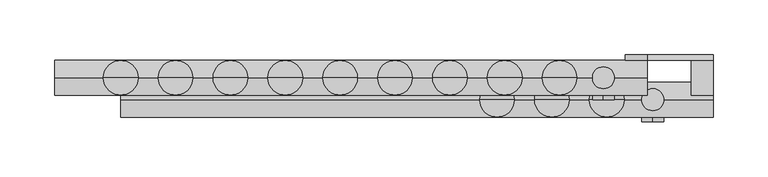
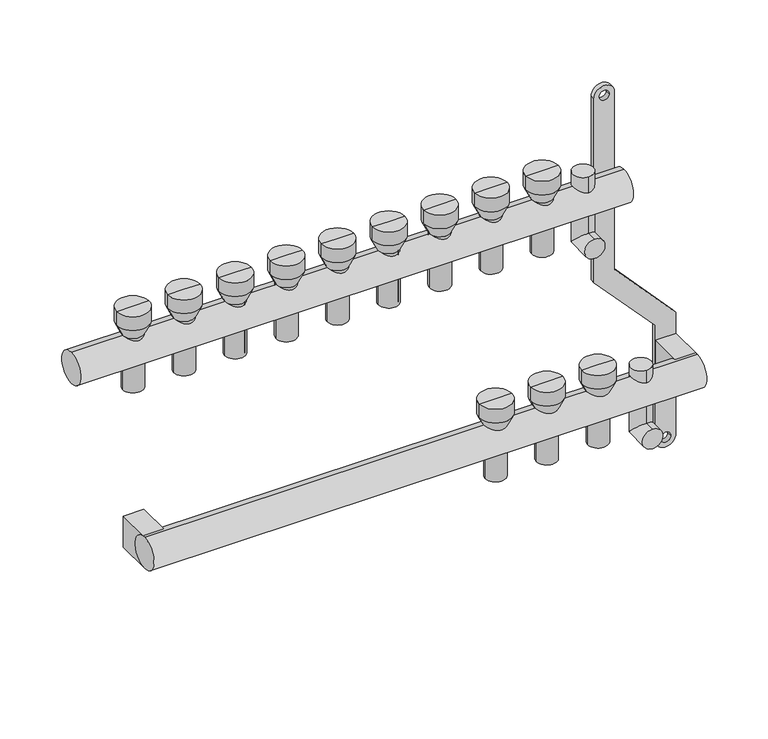
"""IFC4 building model written with IfcOpenShell, lengths in millimetres: proxy geometry."""

from ifc_helpers import new_model, si_unit, point, frame, frame_2d, origin, origin_2d, place, context, project, spatial, polyline, circle_curve, ellipse_curve, trimmed, segment, composite_curve, outline, extrude, source, transform, mapped, element, save
from ifc_brep_helpers import plane_surface, cylinder_surface, revolved_surface, advanced_brep


def mechanical_equipment_cf81b8fc(model_context):
    return source(origin(), model_context, "Body", "SolidModel", [
        extrude(outline(composite_curve([segment(trimmed(circle_curve(frame_2d((86.2845679, 520.0)), 10.0), [point((86.2845679, 530.0))], [point((86.2845679, 510.0))], False, "CARTESIAN"), True, "CONTINUOUS"), segment(polyline([(86.2845679, 510.0), (-103.7138261, 510.0), (-169.0329221, 570.0), (-287.9537524, 570.0)]), True, "CONTINUOUS"), segment(trimmed(circle_curve(frame_2d((-287.9537524, 580.0)), 10.0), [point((-287.9537524, 570.0))], [point((-287.9537524, 590.0))], False, "CARTESIAN"), True, "CONTINUOUS"), segment(polyline([(-287.9537524, 590.0), (-162.5345282, 590.0), (-97.2154321, 530.0), (86.2845679, 530.0)]), True, "CONTINUOUS")], self_intersect=False), holes=[composite_curve([segment(trimmed(circle_curve(frame_2d((86.2845679, 520.0)), 5.0), [point((86.2845679, 515.0))], [point((86.2845679, 525.0))], True, "CARTESIAN"), True, "CONTINUOUS"), segment(trimmed(circle_curve(frame_2d((86.2845679, 520.0)), 5.0), [point((86.2845679, 525.0))], [point((86.2845679, 515.0))], True, "CARTESIAN"), True, "CONTINUOUS")], self_intersect=False), composite_curve([segment(trimmed(circle_curve(frame_2d((-287.9537524, 580.0)), 5.0), [point((-287.9537524, 575.0))], [point((-287.9537524, 585.0))], True, "CARTESIAN"), True, "CONTINUOUS"), segment(trimmed(circle_curve(frame_2d((-287.9537524, 580.0)), 5.0), [point((-287.9537524, 585.0))], [point((-287.9537524, 575.0))], True, "CARTESIAN"), True, "CONTINUOUS")], self_intersect=False)]), frame((0.0, 16.0, 0.0), z_axis=(0.0, 1.0, 0.0), x_axis=(0.0, 0.0, 1.0)), (0.0, 0.0, 1.0), 4.847249),
        advanced_brep(
        [(535.0, -40.0, -250.0), (535.0, -40.0, -230.0), (535.0, -10.0, -250.0), (535.0, -30.0, -230.0), (535.0, -10.0, -175.079492), (535.0, -30.0, -175.079492)],
        [
            (0, 1, circle_curve(frame((535.0, -40.0, -240.0), z_axis=(0.0, -1.0, 0.0), x_axis=(0.0, 0.0, 1.0)), 10.0)),
            (1, 0, circle_curve(frame((535.0, -40.0, -240.0), z_axis=(0.0, -1.0, 0.0), x_axis=(0.0, 0.0, 1.0)), 10.0)),
            (0, 2),
            (2, 3, ellipse_curve(frame((535.0, -20.0, -240.0), z_axis=(0.0, -0.7071067811865475, -0.7071067811865475), x_axis=(0.0, -0.7071067811865476, 0.7071067811865474)), 14.1421356, 10.0)),
            (3, 1),
            (3, 2, ellipse_curve(frame((535.0, -20.0, -240.0), z_axis=(0.0, -0.7071067811865475, -0.7071067811865475), x_axis=(0.0, -0.7071067811865476, 0.7071067811865474)), 14.1421356, 10.0)),
            (4, 5, circle_curve(frame((535.0, -20.0, -175.079492), z_axis=(0.0, 0.0, 1.0), x_axis=(0.0, -1.0, 0.0)), 10.0)),
            (5, 4, circle_curve(frame((535.0, -20.0, -175.079492), z_axis=(0.0, 0.0, 1.0), x_axis=(0.0, -1.0, 0.0)), 10.0)),
            (2, 4),
            (5, 3),
        ],
        [
            plane_surface(frame((535.0, -40.0, -240.0), z_axis=(0.0, -1.0, 0.0), x_axis=(1.0, 0.0, 0.0))),
            cylinder_surface(frame((535.0, -40.0, -240.0), z_axis=(0.0, -1.0, 0.0), x_axis=(0.0, 0.0, 1.0)), 10.0),
            plane_surface(frame((535.0, -20.0, -175.079492), z_axis=(0.0, 0.0, 1.0), x_axis=(1.0, 0.0, 0.0))),
            cylinder_surface(frame((535.0, -20.0, -240.0), z_axis=(0.0, 0.0, -1.0), x_axis=(0.0, -1.0, 0.0)), 10.0),
        ],
        [
            (0, [[1, 2]]),
            (1, [[-1, 3, 4, 5]]),
            (1, [[-2, -5, 6, -3]]),
            (2, [[7, 8]]),
            (3, [[-4, 9, -8, 10]]),
            (3, [[-6, -10, -7, -9]]),
        ],
    ),
        advanced_brep(
        [(490.0, -20.0, -50.0), (490.0, -20.0, -30.0), (490.0, 10.0, -50.0), (490.0, -10.0, -30.0), (490.0, 10.0, 28.420508), (490.0, -10.0, 28.420508)],
        [
            (0, 1, circle_curve(frame((490.0, -20.0, -40.0), z_axis=(0.0, -1.0, 0.0), x_axis=(0.0, 0.0, 1.0)), 10.0)),
            (1, 0, circle_curve(frame((490.0, -20.0, -40.0), z_axis=(0.0, -1.0, 0.0), x_axis=(0.0, 0.0, 1.0)), 10.0)),
            (0, 2),
            (2, 3, ellipse_curve(frame((490.0, 0.0, -40.0), z_axis=(0.0, -0.7071067811865486, -0.7071067811865464), x_axis=(0.0, -0.7071067811865466, 0.7071067811865485)), 14.1421356, 10.0)),
            (3, 1),
            (3, 2, ellipse_curve(frame((490.0, 0.0, -40.0), z_axis=(0.0, -0.7071067811865486, -0.7071067811865464), x_axis=(0.0, -0.7071067811865466, 0.7071067811865485)), 14.1421356, 10.0)),
            (4, 5, circle_curve(frame((490.0, 0.0, 28.420508), z_axis=(0.0, 0.0, 1.0), x_axis=(0.0, -1.0, 0.0)), 10.0)),
            (5, 4, circle_curve(frame((490.0, 0.0, 28.420508), z_axis=(0.0, 0.0, 1.0), x_axis=(0.0, -1.0, 0.0)), 10.0)),
            (2, 4),
            (5, 3),
        ],
        [
            plane_surface(frame((490.0, -20.0, -40.0), z_axis=(0.0, -1.0, 0.0), x_axis=(1.0, 0.0, 0.0))),
            cylinder_surface(frame((490.0, -20.0, -40.0), z_axis=(0.0, -1.0, 0.0), x_axis=(0.0, 0.0, 1.0)), 10.0),
            plane_surface(frame((490.0, 0.0, 28.420508), z_axis=(0.0, 0.0, 1.0), x_axis=(1.0, 0.0, 0.0))),
            cylinder_surface(frame((490.0, 0.0, -40.0), z_axis=(0.0, 0.0, -1.0), x_axis=(0.0, -1.0, 0.0)), 10.0),
        ],
        [
            (0, [[1, 2]]),
            (1, [[-1, 3, 4, 5]]),
            (1, [[-2, -5, 6, -3]]),
            (2, [[7, 8]]),
            (3, [[-4, 9, -8, 10]]),
            (3, [[-6, -10, -7, -9]]),
        ],
    ),
        extrude(outline(composite_curve([segment(trimmed(circle_curve(frame_2d((-20.0, -200.0)), 16.0), [point((-20.0, -216.0))], [point((-20.0, -184.0))], False, "CARTESIAN"), True, "CONTINUOUS"), segment(trimmed(circle_curve(frame_2d((-20.0, -200.0)), 16.0), [point((-20.0, -184.0))], [point((-20.0, -216.0))], False, "CARTESIAN"), True, "CONTINUOUS")], self_intersect=False)), frame((50.0, 0.0, 0.0), z_axis=(1.0, 0.0, 0.0), x_axis=(0.0, 1.0, 0.0)), (0.0, 0.0, 1.0), 540.0),
        extrude(outline(composite_curve([segment(trimmed(circle_curve(origin_2d(), 16.0), [point((0.0, -16.0))], [point((0.0, 16.0))], False, "CARTESIAN"), True, "CONTINUOUS"), segment(trimmed(circle_curve(origin_2d(), 16.0), [point((0.0, 16.0))], [point((0.0, -16.0))], False, "CARTESIAN"), True, "CONTINUOUS")], self_intersect=False)), frame((-10.0, 0.0, 0.0), z_axis=(1.0, 0.0, 0.0), x_axis=(0.0, 1.0, 0.0)), (0.0, 0.0, 1.0), 540.0),
        extrude(outline(polyline([(590.0, 16.0), (590.0, -20.0), (570.0, -20.0), (570.0, 16.0), (590.0, 16.0)])), frame((0.0, 0.0, -216.0), z_axis=(0.0, 0.0, 1.0), x_axis=(1.0, 0.0, 0.0)), (0.0, 0.0, 1.0), 32.0),
        extrude(outline(polyline([(70.0, 16.0), (70.0, -20.0), (50.0, -20.0), (50.0, 16.0), (70.0, 16.0)])), frame((0.0, 0.0, -216.0), z_axis=(0.0, 0.0, 1.0), x_axis=(1.0, 0.0, 0.0)), (0.0, 0.0, 1.0), 32.0),
        advanced_brep(
        [(458.0, 0.0, -40.0), (442.0, 0.0, -40.0), (442.0, 0.0, 16.0), (458.0, 0.0, 16.0), (460.0, 0.0, -40.0), (440.0, 0.0, -40.0), (460.0, 0.0, 16.0), (440.0, 0.0, 16.0), (465.791778, 0.0, 28.420508), (434.208222, 0.0, 28.420508), (465.791778, 0.0, 42.4712727), (434.208222, 0.0, 42.4712727), (450.0, 0.0, 42.4712727), (450.0, 0.0, 16.0)],
        [
            (0, 1, circle_curve(frame((450.0, 0.0, -40.0), z_axis=(0.0, 0.0, -1.0), x_axis=(-1.0, 0.0, 0.0)), 8.0)),
            (1, 2),
            (2, 3, circle_curve(frame((450.0, 0.0, 16.0), z_axis=(0.0, 0.0, 1.0), x_axis=(-1.0, 0.0, 0.0)), 8.0)),
            (3, 0),
            (1, 0, circle_curve(frame((450.0, 0.0, -40.0), z_axis=(0.0, 0.0, -1.0), x_axis=(-1.0, 0.0, 0.0)), 8.0)),
            (3, 2, circle_curve(frame((450.0, 0.0, 16.0), z_axis=(0.0, 0.0, 1.0), x_axis=(-1.0, 0.0, 0.0)), 8.0)),
            (4, 5, circle_curve(frame((450.0, 0.0, -40.0), z_axis=(0.0, 0.0, -1.0), x_axis=(-1.0, 0.0, 0.0)), 10.0)),
            (5, 1),
            (0, 4),
            (5, 4, circle_curve(frame((450.0, 0.0, -40.0), z_axis=(0.0, 0.0, -1.0), x_axis=(-1.0, 0.0, 0.0)), 10.0)),
            (6, 7, circle_curve(frame((450.0, 0.0, 16.0), z_axis=(0.0, 0.0, -1.0), x_axis=(-1.0, 0.0, 0.0)), 10.0)),
            (7, 5),
            (4, 6),
            (7, 6, circle_curve(frame((450.0, 0.0, 16.0), z_axis=(0.0, 0.0, -1.0), x_axis=(-1.0, 0.0, 0.0)), 10.0)),
            (8, 9, circle_curve(frame((450.0, 0.0, 28.420508), z_axis=(0.0, 0.0, -1.0), x_axis=(-1.0, 0.0, 0.0)), 15.791778)),
            (9, 7),
            (6, 8),
            (9, 8, circle_curve(frame((450.0, 0.0, 28.420508), z_axis=(0.0, 0.0, -1.0), x_axis=(-1.0, 0.0, 0.0)), 15.791778)),
            (10, 11, circle_curve(frame((450.0, 0.0, 42.4712727), z_axis=(0.0, 0.0, -1.0), x_axis=(-1.0, 0.0, 0.0)), 15.791778)),
            (11, 9),
            (8, 10),
            (11, 10, circle_curve(frame((450.0, 0.0, 42.4712727), z_axis=(0.0, 0.0, -1.0), x_axis=(-1.0, 0.0, 0.0)), 15.791778)),
            (12, 11),
            (10, 12),
            (2, 13),
            (13, 3),
        ],
        [
            revolved_surface(polyline([(442.0, 0.0, 16.0), (442.0, 0.0, -40.0)]), (450.0, 0.0, 0.0), (0.0, 0.0, 1.0)),
            plane_surface(frame((450.0, 0.0, -40.0), z_axis=(0.0, 0.0, -1.0), x_axis=(-1.0, 0.0, 0.0))),
            cylinder_surface(frame((450.0, 0.0, 0.0), z_axis=(0.0, 0.0, 1.0), x_axis=(-1.0, 0.0, 0.0)), 10.0),
            revolved_surface(polyline([(440.0, 0.0, 16.0), (434.208222, 0.0, 28.420508)]), (450.0, 0.0, 0.0), (0.0, 0.0, 1.0)),
            cylinder_surface(frame((450.0, 0.0, 0.0), z_axis=(0.0, 0.0, 1.0), x_axis=(-1.0, 0.0, 0.0)), 15.791778),
            plane_surface(frame((450.0, 0.0, 42.4712727), z_axis=(0.0, 0.0, 1.0), x_axis=(-1.0, 0.0, 0.0))),
            plane_surface(frame((450.0, 0.0, 16.0), z_axis=(0.0, 0.0, -1.0), x_axis=(-1.0, 0.0, 0.0))),
        ],
        [
            (0, [[1, 2, 3, 4]]),
            (0, [[5, -4, 6, -2]]),
            (1, [[7, 8, -1, 9]]),
            (1, [[10, -9, -5, -8]]),
            (2, [[11, 12, -7, 13]]),
            (2, [[14, -13, -10, -12]]),
            (3, [[15, 16, -11, 17]]),
            (3, [[18, -17, -14, -16]]),
            (4, [[19, 20, -15, 21]]),
            (4, [[22, -21, -18, -20]]),
            (5, [[23, -19, 24]]),
            (5, [[-24, -22, -23]]),
            (6, [[-3, 25, 26]]),
            (6, [[-6, -26, -25]]),
        ],
    ),
        advanced_brep(
        [(408.0, 0.0, -40.0), (392.0, 0.0, -40.0), (392.0, 0.0, 16.0), (408.0, 0.0, 16.0), (410.0, 0.0, -40.0), (390.0, 0.0, -40.0), (410.0, 0.0, 16.0), (390.0, 0.0, 16.0), (415.791778, 0.0, 28.420508), (384.208222, 0.0, 28.420508), (415.791778, 0.0, 42.4712727), (384.208222, 0.0, 42.4712727), (400.0, 0.0, 42.4712727), (400.0, 0.0, 16.0)],
        [
            (0, 1, circle_curve(frame((400.0, 0.0, -40.0), z_axis=(0.0, 0.0, -1.0), x_axis=(-1.0, 0.0, 0.0)), 8.0)),
            (1, 2),
            (2, 3, circle_curve(frame((400.0, 0.0, 16.0), z_axis=(0.0, 0.0, 1.0), x_axis=(-1.0, 0.0, 0.0)), 8.0)),
            (3, 0),
            (1, 0, circle_curve(frame((400.0, 0.0, -40.0), z_axis=(0.0, 0.0, -1.0), x_axis=(-1.0, 0.0, 0.0)), 8.0)),
            (3, 2, circle_curve(frame((400.0, 0.0, 16.0), z_axis=(0.0, 0.0, 1.0), x_axis=(-1.0, 0.0, 0.0)), 8.0)),
            (4, 5, circle_curve(frame((400.0, 0.0, -40.0), z_axis=(0.0, 0.0, -1.0), x_axis=(-1.0, 0.0, 0.0)), 10.0)),
            (5, 1),
            (0, 4),
            (5, 4, circle_curve(frame((400.0, 0.0, -40.0), z_axis=(0.0, 0.0, -1.0), x_axis=(-1.0, 0.0, 0.0)), 10.0)),
            (6, 7, circle_curve(frame((400.0, 0.0, 16.0), z_axis=(0.0, 0.0, -1.0), x_axis=(-1.0, 0.0, 0.0)), 10.0)),
            (7, 5),
            (4, 6),
            (7, 6, circle_curve(frame((400.0, 0.0, 16.0), z_axis=(0.0, 0.0, -1.0), x_axis=(-1.0, 0.0, 0.0)), 10.0)),
            (8, 9, circle_curve(frame((400.0, 0.0, 28.420508), z_axis=(0.0, 0.0, -1.0), x_axis=(-1.0, 0.0, 0.0)), 15.791778)),
            (9, 7),
            (6, 8),
            (9, 8, circle_curve(frame((400.0, 0.0, 28.420508), z_axis=(0.0, 0.0, -1.0), x_axis=(-1.0, 0.0, 0.0)), 15.791778)),
            (10, 11, circle_curve(frame((400.0, 0.0, 42.4712727), z_axis=(0.0, 0.0, -1.0), x_axis=(-1.0, 0.0, 0.0)), 15.791778)),
            (11, 9),
            (8, 10),
            (11, 10, circle_curve(frame((400.0, 0.0, 42.4712727), z_axis=(0.0, 0.0, -1.0), x_axis=(-1.0, 0.0, 0.0)), 15.791778)),
            (12, 11),
            (10, 12),
            (2, 13),
            (13, 3),
        ],
        [
            revolved_surface(polyline([(392.0, 0.0, 16.0), (392.0, 0.0, -40.0)]), (400.0, 0.0, 0.0), (0.0, 0.0, 1.0)),
            plane_surface(frame((400.0, 0.0, -40.0), z_axis=(0.0, 0.0, -1.0), x_axis=(-1.0, 0.0, 0.0))),
            cylinder_surface(frame((400.0, 0.0, 0.0), z_axis=(0.0, 0.0, 1.0), x_axis=(-1.0, 0.0, 0.0)), 10.0),
            revolved_surface(polyline([(390.0, 0.0, 16.0), (384.208222, 0.0, 28.420508)]), (400.0, 0.0, 0.0), (0.0, 0.0, 1.0)),
            cylinder_surface(frame((400.0, 0.0, 0.0), z_axis=(0.0, 0.0, 1.0), x_axis=(-1.0, 0.0, 0.0)), 15.791778),
            plane_surface(frame((400.0, 0.0, 42.4712727), z_axis=(0.0, 0.0, 1.0), x_axis=(-1.0, 0.0, 0.0))),
            plane_surface(frame((400.0, 0.0, 16.0), z_axis=(0.0, 0.0, -1.0), x_axis=(-1.0, 0.0, 0.0))),
        ],
        [
            (0, [[1, 2, 3, 4]]),
            (0, [[5, -4, 6, -2]]),
            (1, [[7, 8, -1, 9]]),
            (1, [[10, -9, -5, -8]]),
            (2, [[11, 12, -7, 13]]),
            (2, [[14, -13, -10, -12]]),
            (3, [[15, 16, -11, 17]]),
            (3, [[18, -17, -14, -16]]),
            (4, [[19, 20, -15, 21]]),
            (4, [[22, -21, -18, -20]]),
            (5, [[23, -19, 24]]),
            (5, [[-24, -22, -23]]),
            (6, [[-3, 25, 26]]),
            (6, [[-6, -26, -25]]),
        ],
    ),
        advanced_brep(
        [(358.0, 0.0, -40.0), (342.0, 0.0, -40.0), (342.0, 0.0, 16.0), (358.0, 0.0, 16.0), (360.0, 0.0, -40.0), (340.0, 0.0, -40.0), (360.0, 0.0, 16.0), (340.0, 0.0, 16.0), (365.791778, 0.0, 28.420508), (334.208222, 0.0, 28.420508), (365.791778, 0.0, 42.4712727), (334.208222, 0.0, 42.4712727), (350.0, 0.0, 42.4712727), (350.0, 0.0, 16.0)],
        [
            (0, 1, circle_curve(frame((350.0, 0.0, -40.0), z_axis=(0.0, 0.0, -1.0), x_axis=(-1.0, 0.0, 0.0)), 8.0)),
            (1, 2),
            (2, 3, circle_curve(frame((350.0, 0.0, 16.0), z_axis=(0.0, 0.0, 1.0), x_axis=(-1.0, 0.0, 0.0)), 8.0)),
            (3, 0),
            (1, 0, circle_curve(frame((350.0, 0.0, -40.0), z_axis=(0.0, 0.0, -1.0), x_axis=(-1.0, 0.0, 0.0)), 8.0)),
            (3, 2, circle_curve(frame((350.0, 0.0, 16.0), z_axis=(0.0, 0.0, 1.0), x_axis=(-1.0, 0.0, 0.0)), 8.0)),
            (4, 5, circle_curve(frame((350.0, 0.0, -40.0), z_axis=(0.0, 0.0, -1.0), x_axis=(-1.0, 0.0, 0.0)), 10.0)),
            (5, 1),
            (0, 4),
            (5, 4, circle_curve(frame((350.0, 0.0, -40.0), z_axis=(0.0, 0.0, -1.0), x_axis=(-1.0, 0.0, 0.0)), 10.0)),
            (6, 7, circle_curve(frame((350.0, 0.0, 16.0), z_axis=(0.0, 0.0, -1.0), x_axis=(-1.0, 0.0, 0.0)), 10.0)),
            (7, 5),
            (4, 6),
            (7, 6, circle_curve(frame((350.0, 0.0, 16.0), z_axis=(0.0, 0.0, -1.0), x_axis=(-1.0, 0.0, 0.0)), 10.0)),
            (8, 9, circle_curve(frame((350.0, 0.0, 28.420508), z_axis=(0.0, 0.0, -1.0), x_axis=(-1.0, 0.0, 0.0)), 15.791778)),
            (9, 7),
            (6, 8),
            (9, 8, circle_curve(frame((350.0, 0.0, 28.420508), z_axis=(0.0, 0.0, -1.0), x_axis=(-1.0, 0.0, 0.0)), 15.791778)),
            (10, 11, circle_curve(frame((350.0, 0.0, 42.4712727), z_axis=(0.0, 0.0, -1.0), x_axis=(-1.0, 0.0, 0.0)), 15.791778)),
            (11, 9),
            (8, 10),
            (11, 10, circle_curve(frame((350.0, 0.0, 42.4712727), z_axis=(0.0, 0.0, -1.0), x_axis=(-1.0, 0.0, 0.0)), 15.791778)),
            (12, 11),
            (10, 12),
            (2, 13),
            (13, 3),
        ],
        [
            revolved_surface(polyline([(342.0, 0.0, 16.0), (342.0, 0.0, -40.0)]), (350.0, 0.0, 0.0), (0.0, 0.0, 1.0)),
            plane_surface(frame((350.0, 0.0, -40.0), z_axis=(0.0, 0.0, -1.0), x_axis=(-1.0, 0.0, 0.0))),
            cylinder_surface(frame((350.0, 0.0, 0.0), z_axis=(0.0, 0.0, 1.0), x_axis=(-1.0, 0.0, 0.0)), 10.0),
            revolved_surface(polyline([(340.0, 0.0, 16.0), (334.208222, 0.0, 28.420508)]), (350.0, 0.0, 0.0), (0.0, 0.0, 1.0)),
            cylinder_surface(frame((350.0, 0.0, 0.0), z_axis=(0.0, 0.0, 1.0), x_axis=(-1.0, 0.0, 0.0)), 15.791778),
            plane_surface(frame((350.0, 0.0, 42.4712727), z_axis=(0.0, 0.0, 1.0), x_axis=(-1.0, 0.0, 0.0))),
            plane_surface(frame((350.0, 0.0, 16.0), z_axis=(0.0, 0.0, -1.0), x_axis=(-1.0, 0.0, 0.0))),
        ],
        [
            (0, [[1, 2, 3, 4]]),
            (0, [[5, -4, 6, -2]]),
            (1, [[7, 8, -1, 9]]),
            (1, [[10, -9, -5, -8]]),
            (2, [[11, 12, -7, 13]]),
            (2, [[14, -13, -10, -12]]),
            (3, [[15, 16, -11, 17]]),
            (3, [[18, -17, -14, -16]]),
            (4, [[19, 20, -15, 21]]),
            (4, [[22, -21, -18, -20]]),
            (5, [[23, -19, 24]]),
            (5, [[-24, -22, -23]]),
            (6, [[-3, 25, 26]]),
            (6, [[-6, -26, -25]]),
        ],
    ),
        advanced_brep(
        [(308.0, 0.0, -40.0), (292.0, 0.0, -40.0), (292.0, 0.0, 16.0), (308.0, 0.0, 16.0), (310.0, 0.0, -40.0), (290.0, 0.0, -40.0), (310.0, 0.0, 16.0), (290.0, 0.0, 16.0), (315.791778, 0.0, 28.420508), (284.208222, 0.0, 28.420508), (315.791778, 0.0, 42.4712727), (284.208222, 0.0, 42.4712727), (300.0, 0.0, 42.4712727), (300.0, 0.0, 16.0)],
        [
            (0, 1, circle_curve(frame((300.0, 0.0, -40.0), z_axis=(0.0, 0.0, -1.0), x_axis=(-1.0, 0.0, 0.0)), 8.0)),
            (1, 2),
            (2, 3, circle_curve(frame((300.0, 0.0, 16.0), z_axis=(0.0, 0.0, 1.0), x_axis=(-1.0, 0.0, 0.0)), 8.0)),
            (3, 0),
            (1, 0, circle_curve(frame((300.0, 0.0, -40.0), z_axis=(0.0, 0.0, -1.0), x_axis=(-1.0, 0.0, 0.0)), 8.0)),
            (3, 2, circle_curve(frame((300.0, 0.0, 16.0), z_axis=(0.0, 0.0, 1.0), x_axis=(-1.0, 0.0, 0.0)), 8.0)),
            (4, 5, circle_curve(frame((300.0, 0.0, -40.0), z_axis=(0.0, 0.0, -1.0), x_axis=(-1.0, 0.0, 0.0)), 10.0)),
            (5, 1),
            (0, 4),
            (5, 4, circle_curve(frame((300.0, 0.0, -40.0), z_axis=(0.0, 0.0, -1.0), x_axis=(-1.0, 0.0, 0.0)), 10.0)),
            (6, 7, circle_curve(frame((300.0, 0.0, 16.0), z_axis=(0.0, 0.0, -1.0), x_axis=(-1.0, 0.0, 0.0)), 10.0)),
            (7, 5),
            (4, 6),
            (7, 6, circle_curve(frame((300.0, 0.0, 16.0), z_axis=(0.0, 0.0, -1.0), x_axis=(-1.0, 0.0, 0.0)), 10.0)),
            (8, 9, circle_curve(frame((300.0, 0.0, 28.420508), z_axis=(0.0, 0.0, -1.0), x_axis=(-1.0, 0.0, 0.0)), 15.791778)),
            (9, 7),
            (6, 8),
            (9, 8, circle_curve(frame((300.0, 0.0, 28.420508), z_axis=(0.0, 0.0, -1.0), x_axis=(-1.0, 0.0, 0.0)), 15.791778)),
            (10, 11, circle_curve(frame((300.0, 0.0, 42.4712727), z_axis=(0.0, 0.0, -1.0), x_axis=(-1.0, 0.0, 0.0)), 15.791778)),
            (11, 9),
            (8, 10),
            (11, 10, circle_curve(frame((300.0, 0.0, 42.4712727), z_axis=(0.0, 0.0, -1.0), x_axis=(-1.0, 0.0, 0.0)), 15.791778)),
            (12, 11),
            (10, 12),
            (2, 13),
            (13, 3),
        ],
        [
            revolved_surface(polyline([(292.0, 0.0, 16.0), (292.0, 0.0, -40.0)]), (300.0, 0.0, 0.0), (0.0, 0.0, 1.0)),
            plane_surface(frame((300.0, 0.0, -40.0), z_axis=(0.0, 0.0, -1.0), x_axis=(-1.0, 0.0, 0.0))),
            cylinder_surface(frame((300.0, 0.0, 0.0), z_axis=(0.0, 0.0, 1.0), x_axis=(-1.0, 0.0, 0.0)), 10.0),
            revolved_surface(polyline([(290.0, 0.0, 16.0), (284.208222, 0.0, 28.420508)]), (300.0, 0.0, 0.0), (0.0, 0.0, 1.0)),
            cylinder_surface(frame((300.0, 0.0, 0.0), z_axis=(0.0, 0.0, 1.0), x_axis=(-1.0, 0.0, 0.0)), 15.791778),
            plane_surface(frame((300.0, 0.0, 42.4712727), z_axis=(0.0, 0.0, 1.0), x_axis=(-1.0, 0.0, 0.0))),
            plane_surface(frame((300.0, 0.0, 16.0), z_axis=(0.0, 0.0, -1.0), x_axis=(-1.0, 0.0, 0.0))),
        ],
        [
            (0, [[1, 2, 3, 4]]),
            (0, [[5, -4, 6, -2]]),
            (1, [[7, 8, -1, 9]]),
            (1, [[10, -9, -5, -8]]),
            (2, [[11, 12, -7, 13]]),
            (2, [[14, -13, -10, -12]]),
            (3, [[15, 16, -11, 17]]),
            (3, [[18, -17, -14, -16]]),
            (4, [[19, 20, -15, 21]]),
            (4, [[22, -21, -18, -20]]),
            (5, [[23, -19, 24]]),
            (5, [[-24, -22, -23]]),
            (6, [[-3, 25, 26]]),
            (6, [[-6, -26, -25]]),
        ],
    ),
        advanced_brep(
        [(258.0, 0.0, -40.0), (242.0, 0.0, -40.0), (242.0, 0.0, 16.0), (258.0, 0.0, 16.0), (260.0, 0.0, -40.0), (240.0, 0.0, -40.0), (260.0, 0.0, 16.0), (240.0, 0.0, 16.0), (265.791778, 0.0, 28.420508), (234.208222, 0.0, 28.420508), (265.791778, 0.0, 42.4712727), (234.208222, 0.0, 42.4712727), (250.0, 0.0, 42.4712727), (250.0, 0.0, 16.0)],
        [
            (0, 1, circle_curve(frame((250.0, 0.0, -40.0), z_axis=(0.0, 0.0, -1.0), x_axis=(-1.0, 0.0, 0.0)), 8.0)),
            (1, 2),
            (2, 3, circle_curve(frame((250.0, 0.0, 16.0), z_axis=(0.0, 0.0, 1.0), x_axis=(-1.0, 0.0, 0.0)), 8.0)),
            (3, 0),
            (1, 0, circle_curve(frame((250.0, 0.0, -40.0), z_axis=(0.0, 0.0, -1.0), x_axis=(-1.0, 0.0, 0.0)), 8.0)),
            (3, 2, circle_curve(frame((250.0, 0.0, 16.0), z_axis=(0.0, 0.0, 1.0), x_axis=(-1.0, 0.0, 0.0)), 8.0)),
            (4, 5, circle_curve(frame((250.0, 0.0, -40.0), z_axis=(0.0, 0.0, -1.0), x_axis=(-1.0, 0.0, 0.0)), 10.0)),
            (5, 1),
            (0, 4),
            (5, 4, circle_curve(frame((250.0, 0.0, -40.0), z_axis=(0.0, 0.0, -1.0), x_axis=(-1.0, 0.0, 0.0)), 10.0)),
            (6, 7, circle_curve(frame((250.0, 0.0, 16.0), z_axis=(0.0, 0.0, -1.0), x_axis=(-1.0, 0.0, 0.0)), 10.0)),
            (7, 5),
            (4, 6),
            (7, 6, circle_curve(frame((250.0, 0.0, 16.0), z_axis=(0.0, 0.0, -1.0), x_axis=(-1.0, 0.0, 0.0)), 10.0)),
            (8, 9, circle_curve(frame((250.0, 0.0, 28.420508), z_axis=(0.0, 0.0, -1.0), x_axis=(-1.0, 0.0, 0.0)), 15.791778)),
            (9, 7),
            (6, 8),
            (9, 8, circle_curve(frame((250.0, 0.0, 28.420508), z_axis=(0.0, 0.0, -1.0), x_axis=(-1.0, 0.0, 0.0)), 15.791778)),
            (10, 11, circle_curve(frame((250.0, 0.0, 42.4712727), z_axis=(0.0, 0.0, -1.0), x_axis=(-1.0, 0.0, 0.0)), 15.791778)),
            (11, 9),
            (8, 10),
            (11, 10, circle_curve(frame((250.0, 0.0, 42.4712727), z_axis=(0.0, 0.0, -1.0), x_axis=(-1.0, 0.0, 0.0)), 15.791778)),
            (12, 11),
            (10, 12),
            (2, 13),
            (13, 3),
        ],
        [
            revolved_surface(polyline([(242.0, 0.0, 16.0), (242.0, 0.0, -40.0)]), (250.0, 0.0, 0.0), (0.0, 0.0, 1.0)),
            plane_surface(frame((250.0, 0.0, -40.0), z_axis=(0.0, 0.0, -1.0), x_axis=(-1.0, 0.0, 0.0))),
            cylinder_surface(frame((250.0, 0.0, 0.0), z_axis=(0.0, 0.0, 1.0), x_axis=(-1.0, 0.0, 0.0)), 10.0),
            revolved_surface(polyline([(240.0, 0.0, 16.0), (234.208222, 0.0, 28.420508)]), (250.0, 0.0, 0.0), (0.0, 0.0, 1.0)),
            cylinder_surface(frame((250.0, 0.0, 0.0), z_axis=(0.0, 0.0, 1.0), x_axis=(-1.0, 0.0, 0.0)), 15.791778),
            plane_surface(frame((250.0, 0.0, 42.4712727), z_axis=(0.0, 0.0, 1.0), x_axis=(-1.0, 0.0, 0.0))),
            plane_surface(frame((250.0, 0.0, 16.0), z_axis=(0.0, 0.0, -1.0), x_axis=(-1.0, 0.0, 0.0))),
        ],
        [
            (0, [[1, 2, 3, 4]]),
            (0, [[5, -4, 6, -2]]),
            (1, [[7, 8, -1, 9]]),
            (1, [[10, -9, -5, -8]]),
            (2, [[11, 12, -7, 13]]),
            (2, [[14, -13, -10, -12]]),
            (3, [[15, 16, -11, 17]]),
            (3, [[18, -17, -14, -16]]),
            (4, [[19, 20, -15, 21]]),
            (4, [[22, -21, -18, -20]]),
            (5, [[23, -19, 24]]),
            (5, [[-24, -22, -23]]),
            (6, [[-3, 25, 26]]),
            (6, [[-6, -26, -25]]),
        ],
    ),
        advanced_brep(
        [(208.0, 0.0, -40.0), (192.0, 0.0, -40.0), (192.0, 0.0, 16.0), (208.0, 0.0, 16.0), (210.0, 0.0, -40.0), (190.0, 0.0, -40.0), (210.0, 0.0, 16.0), (190.0, 0.0, 16.0), (215.791778, 0.0, 28.420508), (184.208222, 0.0, 28.420508), (215.791778, 0.0, 42.4712727), (184.208222, 0.0, 42.4712727), (200.0, 0.0, 42.4712727), (200.0, 0.0, 16.0)],
        [
            (0, 1, circle_curve(frame((200.0, 0.0, -40.0), z_axis=(0.0, 0.0, -1.0), x_axis=(-1.0, 0.0, 0.0)), 8.0)),
            (1, 2),
            (2, 3, circle_curve(frame((200.0, 0.0, 16.0), z_axis=(0.0, 0.0, 1.0), x_axis=(-1.0, 0.0, 0.0)), 8.0)),
            (3, 0),
            (1, 0, circle_curve(frame((200.0, 0.0, -40.0), z_axis=(0.0, 0.0, -1.0), x_axis=(-1.0, 0.0, 0.0)), 8.0)),
            (3, 2, circle_curve(frame((200.0, 0.0, 16.0), z_axis=(0.0, 0.0, 1.0), x_axis=(-1.0, 0.0, 0.0)), 8.0)),
            (4, 5, circle_curve(frame((200.0, 0.0, -40.0), z_axis=(0.0, 0.0, -1.0), x_axis=(-1.0, 0.0, 0.0)), 10.0)),
            (5, 1),
            (0, 4),
            (5, 4, circle_curve(frame((200.0, 0.0, -40.0), z_axis=(0.0, 0.0, -1.0), x_axis=(-1.0, 0.0, 0.0)), 10.0)),
            (6, 7, circle_curve(frame((200.0, 0.0, 16.0), z_axis=(0.0, 0.0, -1.0), x_axis=(-1.0, 0.0, 0.0)), 10.0)),
            (7, 5),
            (4, 6),
            (7, 6, circle_curve(frame((200.0, 0.0, 16.0), z_axis=(0.0, 0.0, -1.0), x_axis=(-1.0, 0.0, 0.0)), 10.0)),
            (8, 9, circle_curve(frame((200.0, 0.0, 28.420508), z_axis=(0.0, 0.0, -1.0), x_axis=(-1.0, 0.0, 0.0)), 15.791778)),
            (9, 7),
            (6, 8),
            (9, 8, circle_curve(frame((200.0, 0.0, 28.420508), z_axis=(0.0, 0.0, -1.0), x_axis=(-1.0, 0.0, 0.0)), 15.791778)),
            (10, 11, circle_curve(frame((200.0, 0.0, 42.4712727), z_axis=(0.0, 0.0, -1.0), x_axis=(-1.0, 0.0, 0.0)), 15.791778)),
            (11, 9),
            (8, 10),
            (11, 10, circle_curve(frame((200.0, 0.0, 42.4712727), z_axis=(0.0, 0.0, -1.0), x_axis=(-1.0, 0.0, 0.0)), 15.791778)),
            (12, 11),
            (10, 12),
            (2, 13),
            (13, 3),
        ],
        [
            revolved_surface(polyline([(192.0, 0.0, 16.0), (192.0, 0.0, -40.0)]), (200.0, 0.0, 0.0), (0.0, 0.0, 1.0)),
            plane_surface(frame((200.0, 0.0, -40.0), z_axis=(0.0, 0.0, -1.0), x_axis=(-1.0, 0.0, 0.0))),
            cylinder_surface(frame((200.0, 0.0, 0.0), z_axis=(0.0, 0.0, 1.0), x_axis=(-1.0, 0.0, 0.0)), 10.0),
            revolved_surface(polyline([(190.0, 0.0, 16.0), (184.208222, 0.0, 28.420508)]), (200.0, 0.0, 0.0), (0.0, 0.0, 1.0)),
            cylinder_surface(frame((200.0, 0.0, 0.0), z_axis=(0.0, 0.0, 1.0), x_axis=(-1.0, 0.0, 0.0)), 15.791778),
            plane_surface(frame((200.0, 0.0, 42.4712727), z_axis=(0.0, 0.0, 1.0), x_axis=(-1.0, 0.0, 0.0))),
            plane_surface(frame((200.0, 0.0, 16.0), z_axis=(0.0, 0.0, -1.0), x_axis=(-1.0, 0.0, 0.0))),
        ],
        [
            (0, [[1, 2, 3, 4]]),
            (0, [[5, -4, 6, -2]]),
            (1, [[7, 8, -1, 9]]),
            (1, [[10, -9, -5, -8]]),
            (2, [[11, 12, -7, 13]]),
            (2, [[14, -13, -10, -12]]),
            (3, [[15, 16, -11, 17]]),
            (3, [[18, -17, -14, -16]]),
            (4, [[19, 20, -15, 21]]),
            (4, [[22, -21, -18, -20]]),
            (5, [[23, -19, 24]]),
            (5, [[-24, -22, -23]]),
            (6, [[-3, 25, 26]]),
            (6, [[-6, -26, -25]]),
        ],
    ),
        advanced_brep(
        [(158.0, 0.0, -40.0), (142.0, 0.0, -40.0), (142.0, 0.0, 16.0), (158.0, 0.0, 16.0), (160.0, 0.0, -40.0), (140.0, 0.0, -40.0), (160.0, 0.0, 16.0), (140.0, 0.0, 16.0), (165.791778, 0.0, 28.420508), (134.208222, 0.0, 28.420508), (165.791778, 0.0, 42.4712727), (134.208222, 0.0, 42.4712727), (150.0, 0.0, 42.4712727), (150.0, 0.0, 16.0)],
        [
            (0, 1, circle_curve(frame((150.0, 0.0, -40.0), z_axis=(0.0, 0.0, -1.0), x_axis=(-1.0, 0.0, 0.0)), 8.0)),
            (1, 2),
            (2, 3, circle_curve(frame((150.0, 0.0, 16.0), z_axis=(0.0, 0.0, 1.0), x_axis=(-1.0, 0.0, 0.0)), 8.0)),
            (3, 0),
            (1, 0, circle_curve(frame((150.0, 0.0, -40.0), z_axis=(0.0, 0.0, -1.0), x_axis=(-1.0, 0.0, 0.0)), 8.0)),
            (3, 2, circle_curve(frame((150.0, 0.0, 16.0), z_axis=(0.0, 0.0, 1.0), x_axis=(-1.0, 0.0, 0.0)), 8.0)),
            (4, 5, circle_curve(frame((150.0, 0.0, -40.0), z_axis=(0.0, 0.0, -1.0), x_axis=(-1.0, 0.0, 0.0)), 10.0)),
            (5, 1),
            (0, 4),
            (5, 4, circle_curve(frame((150.0, 0.0, -40.0), z_axis=(0.0, 0.0, -1.0), x_axis=(-1.0, 0.0, 0.0)), 10.0)),
            (6, 7, circle_curve(frame((150.0, 0.0, 16.0), z_axis=(0.0, 0.0, -1.0), x_axis=(-1.0, 0.0, 0.0)), 10.0)),
            (7, 5),
            (4, 6),
            (7, 6, circle_curve(frame((150.0, 0.0, 16.0), z_axis=(0.0, 0.0, -1.0), x_axis=(-1.0, 0.0, 0.0)), 10.0)),
            (8, 9, circle_curve(frame((150.0, 0.0, 28.420508), z_axis=(0.0, 0.0, -1.0), x_axis=(-1.0, 0.0, 0.0)), 15.791778)),
            (9, 7),
            (6, 8),
            (9, 8, circle_curve(frame((150.0, 0.0, 28.420508), z_axis=(0.0, 0.0, -1.0), x_axis=(-1.0, 0.0, 0.0)), 15.791778)),
            (10, 11, circle_curve(frame((150.0, 0.0, 42.4712727), z_axis=(0.0, 0.0, -1.0), x_axis=(-1.0, 0.0, 0.0)), 15.791778)),
            (11, 9),
            (8, 10),
            (11, 10, circle_curve(frame((150.0, 0.0, 42.4712727), z_axis=(0.0, 0.0, -1.0), x_axis=(-1.0, 0.0, 0.0)), 15.791778)),
            (12, 11),
            (10, 12),
            (2, 13),
            (13, 3),
        ],
        [
            revolved_surface(polyline([(142.0, 0.0, 16.0), (142.0, 0.0, -40.0)]), (150.0, 0.0, 0.0), (0.0, 0.0, 1.0)),
            plane_surface(frame((150.0, 0.0, -40.0), z_axis=(0.0, 0.0, -1.0), x_axis=(-1.0, 0.0, 0.0))),
            cylinder_surface(frame((150.0, 0.0, 0.0), z_axis=(0.0, 0.0, 1.0), x_axis=(-1.0, 0.0, 0.0)), 10.0),
            revolved_surface(polyline([(140.0, 0.0, 16.0), (134.208222, 0.0, 28.420508)]), (150.0, 0.0, 0.0), (0.0, 0.0, 1.0)),
            cylinder_surface(frame((150.0, 0.0, 0.0), z_axis=(0.0, 0.0, 1.0), x_axis=(-1.0, 0.0, 0.0)), 15.791778),
            plane_surface(frame((150.0, 0.0, 42.4712727), z_axis=(0.0, 0.0, 1.0), x_axis=(-1.0, 0.0, 0.0))),
            plane_surface(frame((150.0, 0.0, 16.0), z_axis=(0.0, 0.0, -1.0), x_axis=(-1.0, 0.0, 0.0))),
        ],
        [
            (0, [[1, 2, 3, 4]]),
            (0, [[5, -4, 6, -2]]),
            (1, [[7, 8, -1, 9]]),
            (1, [[10, -9, -5, -8]]),
            (2, [[11, 12, -7, 13]]),
            (2, [[14, -13, -10, -12]]),
            (3, [[15, 16, -11, 17]]),
            (3, [[18, -17, -14, -16]]),
            (4, [[19, 20, -15, 21]]),
            (4, [[22, -21, -18, -20]]),
            (5, [[23, -19, 24]]),
            (5, [[-24, -22, -23]]),
            (6, [[-3, 25, 26]]),
            (6, [[-6, -26, -25]]),
        ],
    ),
        advanced_brep(
        [(108.0, 0.0, -40.0), (92.0, 0.0, -40.0), (92.0, 0.0, 16.0), (108.0, 0.0, 16.0), (110.0, 0.0, -40.0), (90.0, 0.0, -40.0), (110.0, 0.0, 16.0), (90.0, 0.0, 16.0), (115.791778, 0.0, 28.420508), (84.208222, 0.0, 28.420508), (115.791778, 0.0, 42.4712727), (84.208222, 0.0, 42.4712727), (100.0, 0.0, 42.4712727), (100.0, 0.0, 16.0)],
        [
            (0, 1, circle_curve(frame((100.0, 0.0, -40.0), z_axis=(0.0, 0.0, -1.0), x_axis=(-1.0, 0.0, 0.0)), 8.0)),
            (1, 2),
            (2, 3, circle_curve(frame((100.0, 0.0, 16.0), z_axis=(0.0, 0.0, 1.0), x_axis=(-1.0, 0.0, 0.0)), 8.0)),
            (3, 0),
            (1, 0, circle_curve(frame((100.0, 0.0, -40.0), z_axis=(0.0, 0.0, -1.0), x_axis=(-1.0, 0.0, 0.0)), 8.0)),
            (3, 2, circle_curve(frame((100.0, 0.0, 16.0), z_axis=(0.0, 0.0, 1.0), x_axis=(-1.0, 0.0, 0.0)), 8.0)),
            (4, 5, circle_curve(frame((100.0, 0.0, -40.0), z_axis=(0.0, 0.0, -1.0), x_axis=(-1.0, 0.0, 0.0)), 10.0)),
            (5, 1),
            (0, 4),
            (5, 4, circle_curve(frame((100.0, 0.0, -40.0), z_axis=(0.0, 0.0, -1.0), x_axis=(-1.0, 0.0, 0.0)), 10.0)),
            (6, 7, circle_curve(frame((100.0, 0.0, 16.0), z_axis=(0.0, 0.0, -1.0), x_axis=(-1.0, 0.0, 0.0)), 10.0)),
            (7, 5),
            (4, 6),
            (7, 6, circle_curve(frame((100.0, 0.0, 16.0), z_axis=(0.0, 0.0, -1.0), x_axis=(-1.0, 0.0, 0.0)), 10.0)),
            (8, 9, circle_curve(frame((100.0, 0.0, 28.420508), z_axis=(0.0, 0.0, -1.0), x_axis=(-1.0, 0.0, 0.0)), 15.791778)),
            (9, 7),
            (6, 8),
            (9, 8, circle_curve(frame((100.0, 0.0, 28.420508), z_axis=(0.0, 0.0, -1.0), x_axis=(-1.0, 0.0, 0.0)), 15.791778)),
            (10, 11, circle_curve(frame((100.0, 0.0, 42.4712727), z_axis=(0.0, 0.0, -1.0), x_axis=(-1.0, 0.0, 0.0)), 15.791778)),
            (11, 9),
            (8, 10),
            (11, 10, circle_curve(frame((100.0, 0.0, 42.4712727), z_axis=(0.0, 0.0, -1.0), x_axis=(-1.0, 0.0, 0.0)), 15.791778)),
            (12, 11),
            (10, 12),
            (2, 13),
            (13, 3),
        ],
        [
            revolved_surface(polyline([(92.0, 0.0, 16.0), (92.0, 0.0, -40.0)]), (100.0, 0.0, 0.0), (0.0, 0.0, 1.0)),
            plane_surface(frame((100.0, 0.0, -40.0), z_axis=(0.0, 0.0, -1.0), x_axis=(-1.0, 0.0, 0.0))),
            cylinder_surface(frame((100.0, 0.0, 0.0), z_axis=(0.0, 0.0, 1.0), x_axis=(-1.0, 0.0, 0.0)), 10.0),
            revolved_surface(polyline([(90.0, 0.0, 16.0), (84.208222, 0.0, 28.420508)]), (100.0, 0.0, 0.0), (0.0, 0.0, 1.0)),
            cylinder_surface(frame((100.0, 0.0, 0.0), z_axis=(0.0, 0.0, 1.0), x_axis=(-1.0, 0.0, 0.0)), 15.791778),
            plane_surface(frame((100.0, 0.0, 42.4712727), z_axis=(0.0, 0.0, 1.0), x_axis=(-1.0, 0.0, 0.0))),
            plane_surface(frame((100.0, 0.0, 16.0), z_axis=(0.0, 0.0, -1.0), x_axis=(-1.0, 0.0, 0.0))),
        ],
        [
            (0, [[1, 2, 3, 4]]),
            (0, [[5, -4, 6, -2]]),
            (1, [[7, 8, -1, 9]]),
            (1, [[10, -9, -5, -8]]),
            (2, [[11, 12, -7, 13]]),
            (2, [[14, -13, -10, -12]]),
            (3, [[15, 16, -11, 17]]),
            (3, [[18, -17, -14, -16]]),
            (4, [[19, 20, -15, 21]]),
            (4, [[22, -21, -18, -20]]),
            (5, [[23, -19, 24]]),
            (5, [[-24, -22, -23]]),
            (6, [[-3, 25, 26]]),
            (6, [[-6, -26, -25]]),
        ],
    ),
        advanced_brep(
        [(58.0, 0.0, -40.0), (42.0, 0.0, -40.0), (42.0, 0.0, 16.0), (58.0, 0.0, 16.0), (60.0, 0.0, -40.0), (40.0, 0.0, -40.0), (60.0, 0.0, 16.0), (40.0, 0.0, 16.0), (65.791778, 0.0, 28.420508), (34.208222, 0.0, 28.420508), (65.791778, 0.0, 42.4712727), (34.208222, 0.0, 42.4712727), (50.0, 0.0, 42.4712727), (50.0, 0.0, 16.0)],
        [
            (0, 1, circle_curve(frame((50.0, 0.0, -40.0), z_axis=(0.0, 0.0, -1.0), x_axis=(-1.0, 0.0, 0.0)), 8.0)),
            (1, 2),
            (2, 3, circle_curve(frame((50.0, 0.0, 16.0), z_axis=(0.0, 0.0, 1.0), x_axis=(-1.0, 0.0, 0.0)), 8.0)),
            (3, 0),
            (1, 0, circle_curve(frame((50.0, 0.0, -40.0), z_axis=(0.0, 0.0, -1.0), x_axis=(-1.0, 0.0, 0.0)), 8.0)),
            (3, 2, circle_curve(frame((50.0, 0.0, 16.0), z_axis=(0.0, 0.0, 1.0), x_axis=(-1.0, 0.0, 0.0)), 8.0)),
            (4, 5, circle_curve(frame((50.0, 0.0, -40.0), z_axis=(0.0, 0.0, -1.0), x_axis=(-1.0, 0.0, 0.0)), 10.0)),
            (5, 1),
            (0, 4),
            (5, 4, circle_curve(frame((50.0, 0.0, -40.0), z_axis=(0.0, 0.0, -1.0), x_axis=(-1.0, 0.0, 0.0)), 10.0)),
            (6, 7, circle_curve(frame((50.0, 0.0, 16.0), z_axis=(0.0, 0.0, -1.0), x_axis=(-1.0, 0.0, 0.0)), 10.0)),
            (7, 5),
            (4, 6),
            (7, 6, circle_curve(frame((50.0, 0.0, 16.0), z_axis=(0.0, 0.0, -1.0), x_axis=(-1.0, 0.0, 0.0)), 10.0)),
            (8, 9, circle_curve(frame((50.0, 0.0, 28.420508), z_axis=(0.0, 0.0, -1.0), x_axis=(-1.0, 0.0, 0.0)), 15.791778)),
            (9, 7),
            (6, 8),
            (9, 8, circle_curve(frame((50.0, 0.0, 28.420508), z_axis=(0.0, 0.0, -1.0), x_axis=(-1.0, 0.0, 0.0)), 15.791778)),
            (10, 11, circle_curve(frame((50.0, 0.0, 42.4712727), z_axis=(0.0, 0.0, -1.0), x_axis=(-1.0, 0.0, 0.0)), 15.791778)),
            (11, 9),
            (8, 10),
            (11, 10, circle_curve(frame((50.0, 0.0, 42.4712727), z_axis=(0.0, 0.0, -1.0), x_axis=(-1.0, 0.0, 0.0)), 15.791778)),
            (12, 11),
            (10, 12),
            (2, 13),
            (13, 3),
        ],
        [
            revolved_surface(polyline([(42.0, 0.0, 16.0), (42.0, 0.0, -40.0)]), (50.0, 0.0, 0.0), (0.0, 0.0, 1.0)),
            plane_surface(frame((50.0, 0.0, -40.0), z_axis=(0.0, 0.0, -1.0), x_axis=(-1.0, 0.0, 0.0))),
            cylinder_surface(frame((50.0, 0.0, 0.0), z_axis=(0.0, 0.0, 1.0), x_axis=(-1.0, 0.0, 0.0)), 10.0),
            revolved_surface(polyline([(40.0, 0.0, 16.0), (34.208222, 0.0, 28.420508)]), (50.0, 0.0, 0.0), (0.0, 0.0, 1.0)),
            cylinder_surface(frame((50.0, 0.0, 0.0), z_axis=(0.0, 0.0, 1.0), x_axis=(-1.0, 0.0, 0.0)), 15.791778),
            plane_surface(frame((50.0, 0.0, 42.4712727), z_axis=(0.0, 0.0, 1.0), x_axis=(-1.0, 0.0, 0.0))),
            plane_surface(frame((50.0, 0.0, 16.0), z_axis=(0.0, 0.0, -1.0), x_axis=(-1.0, 0.0, 0.0))),
        ],
        [
            (0, [[1, 2, 3, 4]]),
            (0, [[5, -4, 6, -2]]),
            (1, [[7, 8, -1, 9]]),
            (1, [[10, -9, -5, -8]]),
            (2, [[11, 12, -7, 13]]),
            (2, [[14, -13, -10, -12]]),
            (3, [[15, 16, -11, 17]]),
            (3, [[18, -17, -14, -16]]),
            (4, [[19, 20, -15, 21]]),
            (4, [[22, -21, -18, -20]]),
            (5, [[23, -19, 24]]),
            (5, [[-24, -22, -23]]),
            (6, [[-3, 25, 26]]),
            (6, [[-6, -26, -25]]),
        ],
    ),
        advanced_brep(
        [(501.0, -20.0, -240.0), (485.0, -20.0, -240.0), (485.0, -20.0, -187.5), (501.0, -20.0, -187.5), (503.0, -20.0, -240.0), (483.0, -20.0, -240.0), (503.0, -20.0, -187.5), (483.0, -20.0, -187.5), (508.791778, -20.0, -175.079492), (477.208222, -20.0, -175.079492), (508.791778, -20.0, -161.0287273), (477.208222, -20.0, -161.0287273), (493.0, -20.0, -161.0287273), (493.0, -20.0, -187.5)],
        [
            (0, 1, circle_curve(frame((493.0, -20.0, -240.0), z_axis=(0.0, 0.0, -1.0), x_axis=(-1.0, 0.0, 0.0)), 8.0)),
            (1, 2),
            (2, 3, circle_curve(frame((493.0, -20.0, -187.5), z_axis=(0.0, 0.0, 1.0), x_axis=(-1.0, 0.0, 0.0)), 8.0)),
            (3, 0),
            (1, 0, circle_curve(frame((493.0, -20.0, -240.0), z_axis=(0.0, 0.0, -1.0), x_axis=(-1.0, 0.0, 0.0)), 8.0)),
            (3, 2, circle_curve(frame((493.0, -20.0, -187.5), z_axis=(0.0, 0.0, 1.0), x_axis=(-1.0, 0.0, 0.0)), 8.0)),
            (4, 5, circle_curve(frame((493.0, -20.0, -240.0), z_axis=(0.0, 0.0, -1.0), x_axis=(-1.0, 0.0, 0.0)), 10.0)),
            (5, 1),
            (0, 4),
            (5, 4, circle_curve(frame((493.0, -20.0, -240.0), z_axis=(0.0, 0.0, -1.0), x_axis=(-1.0, 0.0, 0.0)), 10.0)),
            (6, 7, circle_curve(frame((493.0, -20.0, -187.5), z_axis=(0.0, 0.0, -1.0), x_axis=(-1.0, 0.0, 0.0)), 10.0)),
            (7, 5),
            (4, 6),
            (7, 6, circle_curve(frame((493.0, -20.0, -187.5), z_axis=(0.0, 0.0, -1.0), x_axis=(-1.0, 0.0, 0.0)), 10.0)),
            (8, 9, circle_curve(frame((493.0, -20.0, -175.079492), z_axis=(0.0, 0.0, -1.0), x_axis=(-1.0, 0.0, 0.0)), 15.791778)),
            (9, 7),
            (6, 8),
            (9, 8, circle_curve(frame((493.0, -20.0, -175.079492), z_axis=(0.0, 0.0, -1.0), x_axis=(-1.0, 0.0, 0.0)), 15.791778)),
            (10, 11, circle_curve(frame((493.0, -20.0, -161.0287273), z_axis=(0.0, 0.0, -1.0), x_axis=(-1.0, 0.0, 0.0)), 15.791778)),
            (11, 9),
            (8, 10),
            (11, 10, circle_curve(frame((493.0, -20.0, -161.0287273), z_axis=(0.0, 0.0, -1.0), x_axis=(-1.0, 0.0, 0.0)), 15.791778)),
            (12, 11),
            (10, 12),
            (2, 13),
            (13, 3),
        ],
        [
            revolved_surface(polyline([(485.0, -20.0, -187.5), (485.0, -20.0, -240.0)]), (493.0, -20.0, -200.0), (0.0, 0.0, 1.0)),
            plane_surface(frame((493.0, -20.0, -240.0), z_axis=(0.0, 0.0, -1.0), x_axis=(-1.0, 0.0, 0.0))),
            cylinder_surface(frame((493.0, -20.0, -200.0), z_axis=(0.0, 0.0, 1.0), x_axis=(-1.0, 0.0, 0.0)), 10.0),
            revolved_surface(polyline([(483.0, -20.0, -187.5), (477.208222, -20.0, -175.079492)]), (493.0, -20.0, -200.0), (0.0, 0.0, 1.0)),
            cylinder_surface(frame((493.0, -20.0, -200.0), z_axis=(0.0, 0.0, 1.0), x_axis=(-1.0, 0.0, 0.0)), 15.791778),
            plane_surface(frame((493.0, -20.0, -161.0287273), z_axis=(0.0, 0.0, 1.0), x_axis=(-1.0, 0.0, 0.0))),
            plane_surface(frame((493.0, -20.0, -187.5), z_axis=(0.0, 0.0, -1.0), x_axis=(-1.0, 0.0, 0.0))),
        ],
        [
            (0, [[1, 2, 3, 4]]),
            (0, [[5, -4, 6, -2]]),
            (1, [[7, 8, -1, 9]]),
            (1, [[10, -9, -5, -8]]),
            (2, [[11, 12, -7, 13]]),
            (2, [[14, -13, -10, -12]]),
            (3, [[15, 16, -11, 17]]),
            (3, [[18, -17, -14, -16]]),
            (4, [[19, 20, -15, 21]]),
            (4, [[22, -21, -18, -20]]),
            (5, [[23, -19, 24]]),
            (5, [[-24, -22, -23]]),
            (6, [[-3, 25, 26]]),
            (6, [[-6, -26, -25]]),
        ],
    ),
        advanced_brep(
        [(451.0, -20.0, -240.0), (435.0, -20.0, -240.0), (435.0, -20.0, -187.5), (451.0, -20.0, -187.5), (453.0, -20.0, -240.0), (433.0, -20.0, -240.0), (453.0, -20.0, -187.5), (433.0, -20.0, -187.5), (458.791778, -20.0, -175.079492), (427.208222, -20.0, -175.079492), (458.791778, -20.0, -161.0287273), (427.208222, -20.0, -161.0287273), (443.0, -20.0, -161.0287273), (443.0, -20.0, -187.5)],
        [
            (0, 1, circle_curve(frame((443.0, -20.0, -240.0), z_axis=(0.0, 0.0, -1.0), x_axis=(-1.0, 0.0, 0.0)), 8.0)),
            (1, 2),
            (2, 3, circle_curve(frame((443.0, -20.0, -187.5), z_axis=(0.0, 0.0, 1.0), x_axis=(-1.0, 0.0, 0.0)), 8.0)),
            (3, 0),
            (1, 0, circle_curve(frame((443.0, -20.0, -240.0), z_axis=(0.0, 0.0, -1.0), x_axis=(-1.0, 0.0, 0.0)), 8.0)),
            (3, 2, circle_curve(frame((443.0, -20.0, -187.5), z_axis=(0.0, 0.0, 1.0), x_axis=(-1.0, 0.0, 0.0)), 8.0)),
            (4, 5, circle_curve(frame((443.0, -20.0, -240.0), z_axis=(0.0, 0.0, -1.0), x_axis=(-1.0, 0.0, 0.0)), 10.0)),
            (5, 1),
            (0, 4),
            (5, 4, circle_curve(frame((443.0, -20.0, -240.0), z_axis=(0.0, 0.0, -1.0), x_axis=(-1.0, 0.0, 0.0)), 10.0)),
            (6, 7, circle_curve(frame((443.0, -20.0, -187.5), z_axis=(0.0, 0.0, -1.0), x_axis=(-1.0, 0.0, 0.0)), 10.0)),
            (7, 5),
            (4, 6),
            (7, 6, circle_curve(frame((443.0, -20.0, -187.5), z_axis=(0.0, 0.0, -1.0), x_axis=(-1.0, 0.0, 0.0)), 10.0)),
            (8, 9, circle_curve(frame((443.0, -20.0, -175.079492), z_axis=(0.0, 0.0, -1.0), x_axis=(-1.0, 0.0, 0.0)), 15.791778)),
            (9, 7),
            (6, 8),
            (9, 8, circle_curve(frame((443.0, -20.0, -175.079492), z_axis=(0.0, 0.0, -1.0), x_axis=(-1.0, 0.0, 0.0)), 15.791778)),
            (10, 11, circle_curve(frame((443.0, -20.0, -161.0287273), z_axis=(0.0, 0.0, -1.0), x_axis=(-1.0, 0.0, 0.0)), 15.791778)),
            (11, 9),
            (8, 10),
            (11, 10, circle_curve(frame((443.0, -20.0, -161.0287273), z_axis=(0.0, 0.0, -1.0), x_axis=(-1.0, 0.0, 0.0)), 15.791778)),
            (12, 11),
            (10, 12),
            (2, 13),
            (13, 3),
        ],
        [
            revolved_surface(polyline([(435.0, -20.0, -187.5), (435.0, -20.0, -240.0)]), (443.0, -20.0, -200.0), (0.0, 0.0, 1.0)),
            plane_surface(frame((443.0, -20.0, -240.0), z_axis=(0.0, 0.0, -1.0), x_axis=(-1.0, 0.0, 0.0))),
            cylinder_surface(frame((443.0, -20.0, -200.0), z_axis=(0.0, 0.0, 1.0), x_axis=(-1.0, 0.0, 0.0)), 10.0),
            revolved_surface(polyline([(433.0, -20.0, -187.5), (427.208222, -20.0, -175.079492)]), (443.0, -20.0, -200.0), (0.0, 0.0, 1.0)),
            cylinder_surface(frame((443.0, -20.0, -200.0), z_axis=(0.0, 0.0, 1.0), x_axis=(-1.0, 0.0, 0.0)), 15.791778),
            plane_surface(frame((443.0, -20.0, -161.0287273), z_axis=(0.0, 0.0, 1.0), x_axis=(-1.0, 0.0, 0.0))),
            plane_surface(frame((443.0, -20.0, -187.5), z_axis=(0.0, 0.0, -1.0), x_axis=(-1.0, 0.0, 0.0))),
        ],
        [
            (0, [[1, 2, 3, 4]]),
            (0, [[5, -4, 6, -2]]),
            (1, [[7, 8, -1, 9]]),
            (1, [[10, -9, -5, -8]]),
            (2, [[11, 12, -7, 13]]),
            (2, [[14, -13, -10, -12]]),
            (3, [[15, 16, -11, 17]]),
            (3, [[18, -17, -14, -16]]),
            (4, [[19, 20, -15, 21]]),
            (4, [[22, -21, -18, -20]]),
            (5, [[23, -19, 24]]),
            (5, [[-24, -22, -23]]),
            (6, [[-3, 25, 26]]),
            (6, [[-6, -26, -25]]),
        ],
    ),
        advanced_brep(
        [(401.0, -20.0, -240.0), (385.0, -20.0, -240.0), (385.0, -20.0, -187.5), (401.0, -20.0, -187.5), (403.0, -20.0, -240.0), (383.0, -20.0, -240.0), (403.0, -20.0, -187.5), (383.0, -20.0, -187.5), (408.791778, -20.0, -175.079492), (377.208222, -20.0, -175.079492), (408.791778, -20.0, -161.0287273), (377.208222, -20.0, -161.0287273), (393.0, -20.0, -161.0287273), (393.0, -20.0, -187.5)],
        [
            (0, 1, circle_curve(frame((393.0, -20.0, -240.0), z_axis=(0.0, 0.0, -1.0), x_axis=(-1.0, 0.0, 0.0)), 8.0)),
            (1, 2),
            (2, 3, circle_curve(frame((393.0, -20.0, -187.5), z_axis=(0.0, 0.0, 1.0), x_axis=(-1.0, 0.0, 0.0)), 8.0)),
            (3, 0),
            (1, 0, circle_curve(frame((393.0, -20.0, -240.0), z_axis=(0.0, 0.0, -1.0), x_axis=(-1.0, 0.0, 0.0)), 8.0)),
            (3, 2, circle_curve(frame((393.0, -20.0, -187.5), z_axis=(0.0, 0.0, 1.0), x_axis=(-1.0, 0.0, 0.0)), 8.0)),
            (4, 5, circle_curve(frame((393.0, -20.0, -240.0), z_axis=(0.0, 0.0, -1.0), x_axis=(-1.0, 0.0, 0.0)), 10.0)),
            (5, 1),
            (0, 4),
            (5, 4, circle_curve(frame((393.0, -20.0, -240.0), z_axis=(0.0, 0.0, -1.0), x_axis=(-1.0, 0.0, 0.0)), 10.0)),
            (6, 7, circle_curve(frame((393.0, -20.0, -187.5), z_axis=(0.0, 0.0, -1.0), x_axis=(-1.0, 0.0, 0.0)), 10.0)),
            (7, 5),
            (4, 6),
            (7, 6, circle_curve(frame((393.0, -20.0, -187.5), z_axis=(0.0, 0.0, -1.0), x_axis=(-1.0, 0.0, 0.0)), 10.0)),
            (8, 9, circle_curve(frame((393.0, -20.0, -175.079492), z_axis=(0.0, 0.0, -1.0), x_axis=(-1.0, 0.0, 0.0)), 15.791778)),
            (9, 7),
            (6, 8),
            (9, 8, circle_curve(frame((393.0, -20.0, -175.079492), z_axis=(0.0, 0.0, -1.0), x_axis=(-1.0, 0.0, 0.0)), 15.791778)),
            (10, 11, circle_curve(frame((393.0, -20.0, -161.0287273), z_axis=(0.0, 0.0, -1.0), x_axis=(-1.0, 0.0, 0.0)), 15.791778)),
            (11, 9),
            (8, 10),
            (11, 10, circle_curve(frame((393.0, -20.0, -161.0287273), z_axis=(0.0, 0.0, -1.0), x_axis=(-1.0, 0.0, 0.0)), 15.791778)),
            (12, 11),
            (10, 12),
            (2, 13),
            (13, 3),
        ],
        [
            revolved_surface(polyline([(385.0, -20.0, -187.5), (385.0, -20.0, -240.0)]), (393.0, -20.0, -200.0), (0.0, 0.0, 1.0)),
            plane_surface(frame((393.0, -20.0, -240.0), z_axis=(0.0, 0.0, -1.0), x_axis=(-1.0, 0.0, 0.0))),
            cylinder_surface(frame((393.0, -20.0, -200.0), z_axis=(0.0, 0.0, 1.0), x_axis=(-1.0, 0.0, 0.0)), 10.0),
            revolved_surface(polyline([(383.0, -20.0, -187.5), (377.208222, -20.0, -175.079492)]), (393.0, -20.0, -200.0), (0.0, 0.0, 1.0)),
            cylinder_surface(frame((393.0, -20.0, -200.0), z_axis=(0.0, 0.0, 1.0), x_axis=(-1.0, 0.0, 0.0)), 15.791778),
            plane_surface(frame((393.0, -20.0, -161.0287273), z_axis=(0.0, 0.0, 1.0), x_axis=(-1.0, 0.0, 0.0))),
            plane_surface(frame((393.0, -20.0, -187.5), z_axis=(0.0, 0.0, -1.0), x_axis=(-1.0, 0.0, 0.0))),
        ],
        [
            (0, [[1, 2, 3, 4]]),
            (0, [[5, -4, 6, -2]]),
            (1, [[7, 8, -1, 9]]),
            (1, [[10, -9, -5, -8]]),
            (2, [[11, 12, -7, 13]]),
            (2, [[14, -13, -10, -12]]),
            (3, [[15, 16, -11, 17]]),
            (3, [[18, -17, -14, -16]]),
            (4, [[19, 20, -15, 21]]),
            (4, [[22, -21, -18, -20]]),
            (5, [[23, -19, 24]]),
            (5, [[-24, -22, -23]]),
            (6, [[-3, 25, 26]]),
            (6, [[-6, -26, -25]]),
        ],
    ),
    ])


if __name__ == "__main__":
    model = new_model("IFC4")
    model_context = context("Model", 3, world=origin())
    ifc_project = project(units=[si_unit("LENGTHUNIT", "METRE", prefix="MILLI")], contexts=[model_context])
    site = spatial("IfcSite", under=ifc_project)
    building = spatial("IfcBuilding", under=site)
    placement = place(None, origin())
    mechanical_equipment_shape = mechanical_equipment_cf81b8fc(model_context)
    element("IfcBuildingElementProxy", 1, Name="Mechanical Equipment", at=placement, inside=building, context=model_context, shape_type="MappedRepresentation", body=[
        mapped(mechanical_equipment_shape, transform((0.0, 0.0, 0.0), x_axis=(1.0, 0.0, 0.0), y_axis=(0.0, 1.0, 0.0), z_axis=(0.0, 0.0, 1.0))),
    ])
    save(model, "model.ifc")
